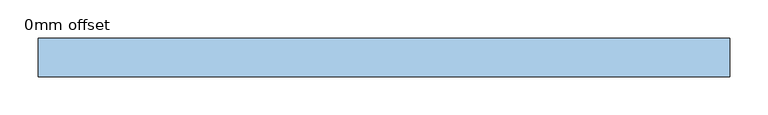
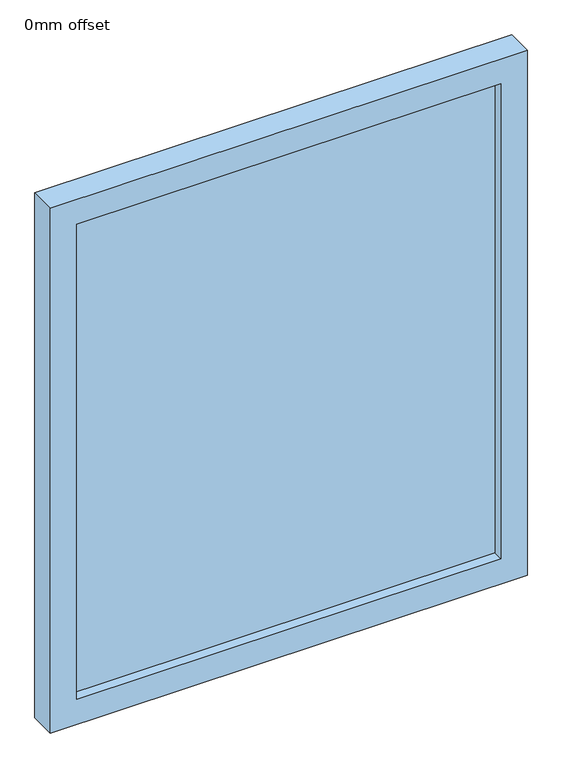
"""IFC4 building model written with IfcOpenShell, lengths in millimetres: window geometry, 0mm offset."""

from ifc_helpers import new_model, si_unit, frame, origin, place, context, project, spatial, polyline, outline, extrude, source, transform, mapped, element, save


def window_0mm_offset_3fce2444(model_context):
    return source(origin(), model_context, "Body", "SweptSolid", [
        extrude(outline(polyline([(401.5625, -30.95), (-401.5625, -30.95), (-401.5625, -18.25), (401.5625, -18.25), (401.5625, -30.95)])), frame((0.0, 0.0, 50.0), z_axis=(0.0, 0.0, 1.0), x_axis=(1.0, 0.0, 0.0)), (0.0, 0.0, 1.0), 950.0),
        extrude(outline(polyline([(1050.0, -451.5625), (0.0, -451.5625), (0.0, 451.5625), (1050.0, 451.5625), (1050.0, -451.5625)]), holes=[polyline([(1000.0, -401.5625), (1000.0, 401.5625), (50.0, 401.5625), (50.0, -401.5625), (1000.0, -401.5625)])]), frame((0.0, -50.0, 0.0), z_axis=(0.0, 1.0, 0.0), x_axis=(0.0, 0.0, 1.0)), (0.0, 0.0, 1.0), 50.0),
    ])


if __name__ == "__main__":
    model = new_model("IFC4")
    model_context = context("Model", 3, world=origin())
    ifc_project = project(units=[si_unit("LENGTHUNIT", "METRE", prefix="MILLI")], contexts=[model_context])
    site = spatial("IfcSite", under=ifc_project)
    building = spatial("IfcBuilding", under=site)
    placement = place(None, origin())
    window_0mm_offset_shape = window_0mm_offset_3fce2444(model_context)
    element("IfcWindow", 1, ObjectType="0mm offset", at=placement, inside=building, context=model_context, shape_type="MappedRepresentation", body=[
        mapped(window_0mm_offset_shape, transform((0.0, 0.0, 0.0), x_axis=(1.0, 0.0, 0.0), y_axis=(0.0, 1.0, 0.0), z_axis=(0.0, 0.0, 1.0))),
    ])
    save(model, "model.ifc")
